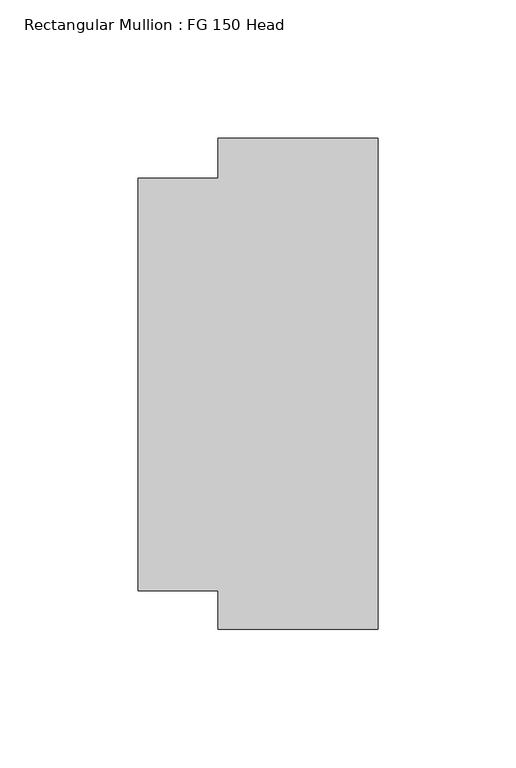
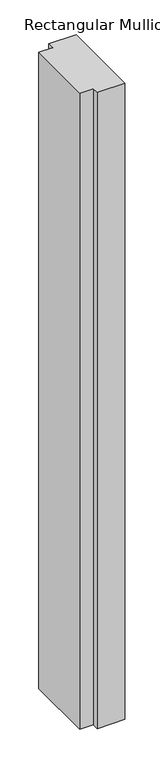
"""IFC4 building model written with IfcOpenShell, lengths in millimetres: member geometry, Rectangular Mullion : FG 150 Head."""

import ifcopenshell
import ifcopenshell.guid

model = None  # the IFC model being written
_history = None  # IfcOwnerHistory: only IFC2X3 demands one
_inside = {}  # id of a spatial element -> (the spatial element, [elements in it])
_under = {}  # id of a project, library or spatial element -> (it, [spatial elements below it])
_declared = {}  # id of a project -> (the project, [libraries it declares])
_typed = {}  # id of a type object -> (the type object, [elements of that type])
_made_of = {}  # id of a material, layer set ... -> (it, [elements and type objects made of it])


def new_model(schema):
    """Start an empty IFC model of exactly this schema.

    Asked for "IFC4X3", IfcOpenShell would pick the latest addendum, in which some entities
    have other attributes; the version numbers below select the first issue.
    IFC2X3 requires an IfcOwnerHistory on every rooted entity: one is made here for all.
    """
    global model, _history
    if schema == "IFC4X3":
        model = ifcopenshell.file(schema_version=(4, 3, 0, 0))
    else:
        model = ifcopenshell.file(schema=schema)
    _inside.clear()
    _under.clear()
    _declared.clear()
    _typed.clear()
    _made_of.clear()
    _history = None
    if model.schema == "IFC2X3":
        org = make("IfcOrganization", Name="unknown")
        user = make(
            "IfcPersonAndOrganization",
            ThePerson=make("IfcPerson", FamilyName="unknown"),
            TheOrganization=org,
        )
        app = make(
            "IfcApplication",
            ApplicationDeveloper=org,
            Version="unknown",
            ApplicationFullName="unknown",
            ApplicationIdentifier="unknown",
        )
        _history = make(
            "IfcOwnerHistory",
            OwningUser=user,
            OwningApplication=app,
            ChangeAction="ADDED",
            CreationDate=0,
        )
    return model


def make(cls, **values):
    """One entity of the class cls with the attributes given. An attribute that is None is left unset."""
    return model.create_entity(
        cls, **{name: value for name, value in values.items() if value is not None}
    )


def rooted(cls, **values):
    """An entity with a GlobalId (a new one), such as an element, a storey or a relation."""
    return make(cls, GlobalId=ifcopenshell.guid.new(), OwnerHistory=_history, **values)


def si_unit(unit_type, name, prefix=None):
    """IfcSIUnit, for example si_unit("LENGTHUNIT", "METRE", prefix="MILLI")."""
    return make("IfcSIUnit", UnitType=unit_type, Prefix=prefix, Name=name)


def assignment(units):
    """IfcUnitAssignment: the units of a project."""
    return None if units is None else make("IfcUnitAssignment", Units=units)


def point(xyz):
    """IfcCartesianPoint."""
    return None if xyz is None else make("IfcCartesianPoint", Coordinates=xyz)


def direction(xyz):
    """IfcDirection."""
    return None if xyz is None else make("IfcDirection", DirectionRatios=xyz)


def frame(location, z_axis=None, x_axis=None):
    """IfcAxis2Placement3D, a coordinate frame: its origin and axes. An axis left out is left unset."""
    return make(
        "IfcAxis2Placement3D",
        Location=point(location),
        Axis=direction(z_axis),
        RefDirection=direction(x_axis),
    )


def origin():
    """The frame at (0, 0, 0) with its axes left unset."""
    return frame((0.0, 0.0, 0.0))


def place(relative_to, where):
    """IfcLocalPlacement: puts the frame where relative to a parent placement (None: the world)."""
    return make(
        "IfcLocalPlacement", PlacementRelTo=relative_to, RelativePlacement=where
    )


def context(
    kind, dimensions, precision=None, world=None, true_north=None, identifier=None
):
    """IfcGeometricRepresentationContext, for example the 3D "Model" context."""
    return make(
        "IfcGeometricRepresentationContext",
        ContextIdentifier=identifier,
        ContextType=kind,
        CoordinateSpaceDimension=dimensions,
        Precision=precision,
        WorldCoordinateSystem=world,
        TrueNorth=true_north,
    )


def project(units=None, contexts=None):
    """IfcProject with its units and contexts."""
    return rooted(
        "IfcProject",
        Name="project",
        RepresentationContexts=contexts,
        UnitsInContext=assignment(units),
    )


def spatial(cls, under=None, at=None, **own):
    """A site, building, storey or space (cls), placed at a placement, below another one or the project."""
    s = rooted(cls, ObjectPlacement=at, **own)
    if under is not None:
        _under.setdefault(under.id(), (under, []))[1].append(s)
    return s


def polyline(points):
    """IfcPolyline through the points."""
    return make("IfcPolyline", Points=[point(p) for p in points])


def outline(outer, holes=None, kind="AREA"):
    """IfcArbitraryClosedProfileDef: a profile drawn as a closed curve; with holes, ...WithVoids."""
    if holes is None:
        return make("IfcArbitraryClosedProfileDef", ProfileType=kind, OuterCurve=outer)
    return make(
        "IfcArbitraryProfileDefWithVoids",
        ProfileType=kind,
        OuterCurve=outer,
        InnerCurves=holes,
    )


def extrude(swept, where, along, depth):
    """IfcExtrudedAreaSolid: the profile swept, set in the frame where, extruded along a direction by depth."""
    return make(
        "IfcExtrudedAreaSolid",
        SweptArea=swept,
        Position=where,
        ExtrudedDirection=direction(along),
        Depth=depth,
    )


def shape(context_of_items, identifier, shape_type, items):
    """IfcShapeRepresentation: the items that make up one representation, for example the "Body"."""
    return make(
        "IfcShapeRepresentation",
        ContextOfItems=context_of_items,
        RepresentationIdentifier=identifier,
        RepresentationType=shape_type,
        Items=items,
    )


def source(mapping_origin, context_of_items, identifier, shape_type, items):
    """IfcRepresentationMap: a shape defined once, which mapped items show again and again."""
    return make(
        "IfcRepresentationMap",
        MappingOrigin=mapping_origin,
        MappedRepresentation=shape(context_of_items, identifier, shape_type, items),
    )


def transform(
    local_origin,
    x_axis=None,
    y_axis=None,
    z_axis=None,
    scale=None,
    scale2=None,
    scale3=None,
    uniform=True,
):
    """IfcCartesianTransformationOperator3D, or its non-uniform kind. x_axis, y_axis, z_axis: its Axis1, 2, 3."""
    if uniform:
        return make(
            "IfcCartesianTransformationOperator3D",
            Axis1=direction(x_axis),
            Axis2=direction(y_axis),
            LocalOrigin=point(local_origin),
            Scale=scale,
            Axis3=direction(z_axis),
        )
    return make(
        "IfcCartesianTransformationOperator3DnonUniform",
        Axis1=direction(x_axis),
        Axis2=direction(y_axis),
        LocalOrigin=point(local_origin),
        Scale=scale,
        Axis3=direction(z_axis),
        Scale2=scale2,
        Scale3=scale3,
    )


def mapped(mapping_source, mapping_target):
    """IfcMappedItem: shows the shape of a source again, moved by a transform."""
    return make(
        "IfcMappedItem", MappingSource=mapping_source, MappingTarget=mapping_target
    )


def made_of(thing, what):
    """Note that an element or type object is made of a material, layer set ...; save() writes the relation."""
    if what is not None:
        _made_of.setdefault(what.id(), (what, []))[1].append(thing)
    return thing


def element(
    cls,
    number,
    at=None,
    inside=None,
    cuts=None,
    type_object=None,
    material=None,
    context=None,
    identifier="Body",
    shape_type=None,
    held_by="IfcProductDefinitionShape",
    body=None,
    shapes=None,
    **own,
):
    """One element of the class cls, such as IfcWall. Its Tag is "e" and its number.

    at: its placement. inside: the storey or other place that contains it. cuts: it is an
    opening in that element (IfcRelVoidsElement). A single representation is given by context,
    identifier, shape_type and body (its items); several are given by shapes. held_by: the class
    of the entity that holds the representations. save() writes the other relations.
    """
    e = rooted(cls, Tag="e%d" % number, ObjectPlacement=at, **own)
    if body is not None:
        shapes = [shape(context, identifier, shape_type, body)]
    if shapes is not None:
        e.Representation = make(held_by, Representations=shapes)
    if inside is not None:
        _inside.setdefault(inside.id(), (inside, []))[1].append(e)
    if cuts is not None:
        rooted(
            "IfcRelVoidsElement", RelatingBuildingElement=cuts, RelatedOpeningElement=e
        )
    if type_object is not None:
        _typed.setdefault(type_object.id(), (type_object, []))[1].append(e)
    return made_of(e, material)


def aggregate(whole, parts):
    """IfcRelAggregates: a whole, such as a stair, and the parts it consists of."""
    return rooted("IfcRelAggregates", RelatingObject=whole, RelatedObjects=parts)


def save(model, path):
    """Write the relations noted so far, then the file.

    IfcRelAggregates (storeys below a building ...), IfcRelContainedInSpatialStructure (elements
    in a storey), IfcRelDefinesByType, IfcRelAssociatesMaterial and IfcRelDeclares: one each for
    every whole, place, type object, material and project.
    """
    for whole, parts in _under.values():
        aggregate(whole, parts)
    for where, things in _inside.values():
        rooted(
            "IfcRelContainedInSpatialStructure",
            RelatedElements=things,
            RelatingStructure=where,
        )
    for kind, things in _typed.values():
        rooted("IfcRelDefinesByType", RelatedObjects=things, RelatingType=kind)
    for what, things in _made_of.values():
        rooted("IfcRelAssociatesMaterial", RelatedObjects=things, RelatingMaterial=what)
    for by, libraries in _declared.values():
        rooted("IfcRelDeclares", RelatingContext=by, RelatedDefinitions=libraries)
    model.write(path)


def rectangular_mullion_fg_150_head_4cd6383f(model_context):
    return source(origin(), model_context, "Body", "SweptSolid", [
        extrude(outline(polyline([(0.0, -88.9972639), (-58.0, -88.9972639), (-58.0, -74.9972639), (-87.0, -74.9972639), (-87.0, 74.5027361), (-58.0, 74.5027361), (-58.0, 89.0027361), (0.0, 89.0027361), (0.0, -88.9972639)])), frame((0.0, 0.0, -1421.534), z_axis=(0.0, 0.0, 1.0), x_axis=(1.0, 0.0, 0.0)), (0.0, 0.0, 1.0), 1421.534),
    ])


if __name__ == "__main__":
    model = new_model("IFC4")
    model_context = context("Model", 3, world=origin())
    ifc_project = project(units=[si_unit("LENGTHUNIT", "METRE", prefix="MILLI")], contexts=[model_context])
    site = spatial("IfcSite", under=ifc_project)
    building = spatial("IfcBuilding", under=site)
    placement = place(None, origin())
    rectangular_mullion_fg_150_head_shape = rectangular_mullion_fg_150_head_4cd6383f(model_context)
    element("IfcMember", 1, ObjectType="Rectangular Mullion : FG 150 Head", at=placement, inside=building, context=model_context, shape_type="MappedRepresentation", body=[
        mapped(rectangular_mullion_fg_150_head_shape, transform((0.0, 0.0, 0.0), x_axis=(1.0, 0.0, 0.0), y_axis=(0.0, 1.0, 0.0), z_axis=(0.0, 0.0, 1.0))),
    ])
    save(model, "model.ifc")
